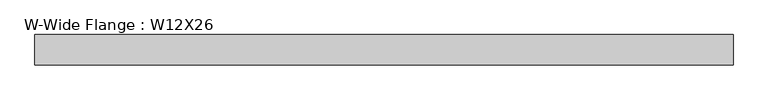
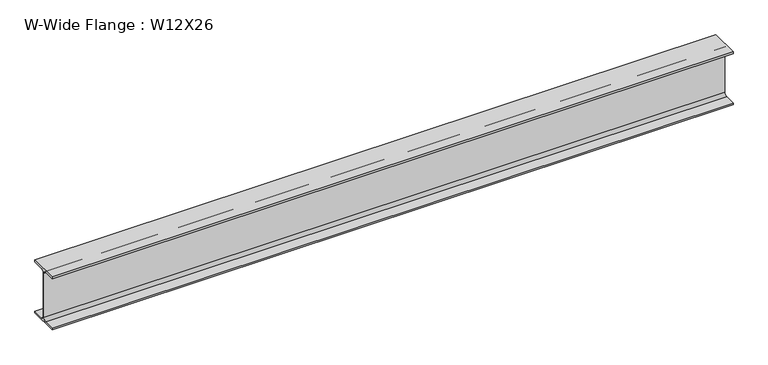
"""IFC4 building model written with IfcOpenShell, lengths in millimetres: beam geometry, W-Wide Flange : W12X26."""

from ifc_helpers import new_model, si_unit, point, frame, frame_2d, origin, place, context, project, spatial, polyline, circle_curve, trimmed, segment, composite_curve, outline, extrude, source, transform, mapped, element, save


def w_wide_flange_w12x26_01ca06c6(model_context):
    return source(origin(), model_context, "Body", "SweptSolid", [
        extrude(outline(composite_curve([segment(polyline([(82.4011719, -145.5539063), (82.4011719, -155.178125), (-82.4011719, -155.178125), (-82.4011719, -145.5539063), (-20.2902344, -145.5539063)]), True, "CONTINUOUS"), segment(trimmed(circle_curve(frame_2d((-20.2902344, -128.190625)), 17.3632812), [point((-20.2902344, -145.5539063))], [point((-2.9269531, -128.190625))], True, "CARTESIAN"), True, "CONTINUOUS"), segment(polyline([(-2.9269531, -128.190625), (-2.9269531, 128.190625)]), True, "CONTINUOUS"), segment(trimmed(circle_curve(frame_2d((-20.2902344, 128.190625)), 17.3632812), [point((-2.9269531, 128.190625))], [point((-20.2902344, 145.5539062))], True, "CARTESIAN"), True, "CONTINUOUS"), segment(polyline([(-20.2902344, 145.5539062), (-82.4011719, 145.5539062), (-82.4011719, 155.178125), (82.4011719, 155.178125), (82.4011719, 145.5539062), (20.2902344, 145.5539062)]), True, "CONTINUOUS"), segment(trimmed(circle_curve(frame_2d((20.2902344, 128.190625)), 17.3632812), [point((20.2902344, 145.5539062))], [point((2.9269531, 128.190625))], True, "CARTESIAN"), True, "CONTINUOUS"), segment(polyline([(2.9269531, 128.190625), (2.9269531, -128.190625)]), True, "CONTINUOUS"), segment(trimmed(circle_curve(frame_2d((20.2902344, -128.190625)), 17.3632812), [point((2.9269531, -128.190625))], [point((20.2902344, -145.5539063))], True, "CARTESIAN"), True, "CONTINUOUS"), segment(polyline([(20.2902344, -145.5539063), (82.4011719, -145.5539063)]), True, "CONTINUOUS")], self_intersect=False)), frame((-2003.7659346, 0.0, 0.0), z_axis=(1.0, 0.0, 0.0), x_axis=(0.0, 1.0, 0.0)), (0.0, 0.0, 1.0), 3771.6942697),
    ])


if __name__ == "__main__":
    model = new_model("IFC4")
    model_context = context("Model", 3, world=origin())
    ifc_project = project(units=[si_unit("LENGTHUNIT", "METRE", prefix="MILLI")], contexts=[model_context])
    site = spatial("IfcSite", under=ifc_project)
    building = spatial("IfcBuilding", under=site)
    placement = place(None, origin())
    w_wide_flange_w12x26_shape = w_wide_flange_w12x26_01ca06c6(model_context)
    element("IfcBeam", 1, ObjectType="W-Wide Flange : W12X26", at=placement, inside=building, context=model_context, shape_type="MappedRepresentation", body=[
        mapped(w_wide_flange_w12x26_shape, transform((0.0, 0.0, 0.0), x_axis=(1.0, 0.0, 0.0), y_axis=(0.0, 1.0, 0.0), z_axis=(0.0, 0.0, 1.0))),
    ])
    save(model, "model.ifc")
